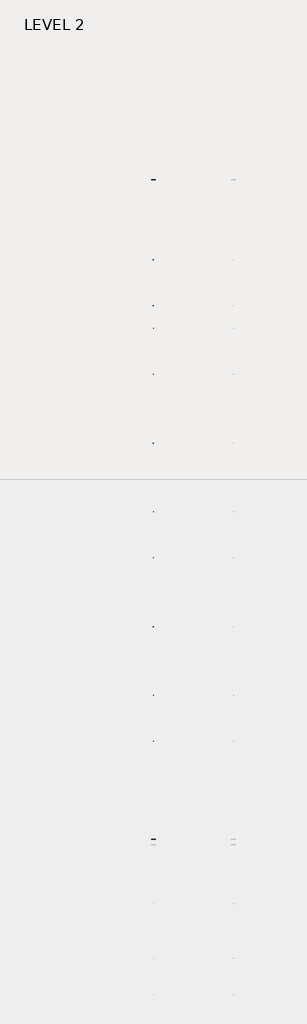
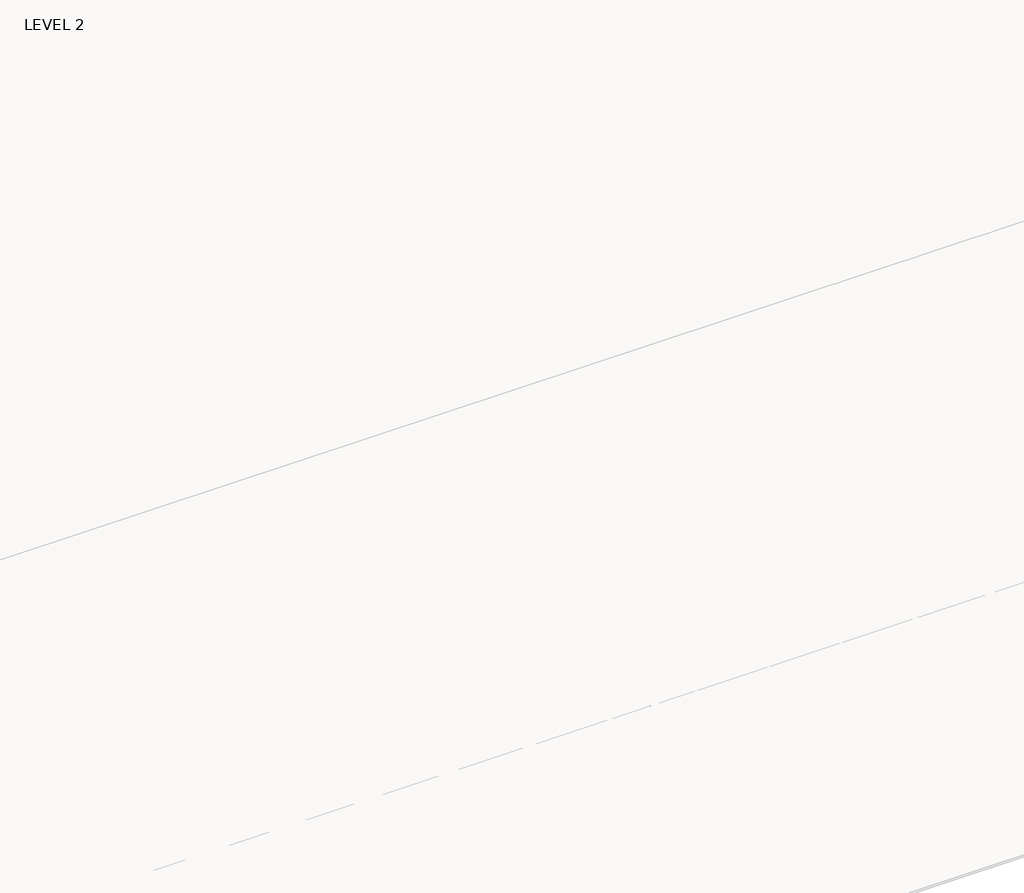
# One storey, part 44 of 67: 1 beam.
"""IFC4 building model written with IfcOpenShell, lengths in millimetres."""

from ifc_helpers import new_model, si_unit, frame, origin, place, context, project, spatial, polyline, outline, extrude, faceted_brep, element, save

model = new_model("IFC4")

# Units and contexts
model_context = context("Model", 3, world=origin())
ifc_project = project(units=[si_unit("LENGTHUNIT", "METRE", prefix="MILLI")], contexts=[model_context])

# Site, building, storey
site = spatial("IfcSite", under=ifc_project)
building = spatial("IfcBuilding", under=site)
storey = spatial("IfcBuildingStorey", under=building, Name="LEVEL 2", Elevation=6908.8)

# Beam
placement = place(None, origin())
element("IfcBeam", 1, ObjectType="K-Series Bar Joist-Angle Web : 30K7", at=placement, inside=storey, context=model_context, shape_type="SolidModel", body=[
    extrude(outline(polyline([(0.0, -9.525), (0.0, 0.0), (1596.011582, 0.0), (1596.011582, -9.525), (0.0, -9.525)])), frame((34177.8014942, 3035.5608234, 6301.5998528), z_axis=(0.0, -0.45537207995192985, 0.8903012236317849), x_axis=(0.0, -0.8903012236317849, -0.45537207995192985)), (0.0, 0.0, 1.0), 9.525),
    extrude(outline(polyline([(0.0, -9.525), (0.0, 0.0), (1596.011582, 0.0), (1596.011582, -9.525), (0.0, -9.525)])), frame((34168.2764942, -9405.2089013, 6276.405159), z_axis=(0.0, 0.45176233395621196, 0.8921383265046045), x_axis=(0.0, 0.8921383265046045, -0.45176233395621196)), (0.0, 0.0, 1.0), 9.525),
    extrude(outline(polyline([(4.7625, 4.7625), (4.7625, -4.7625), (-4.7625, -4.7625), (-4.7625, 4.7625), (4.7625, 4.7625)])), frame((34173.0389942, 1612.4610495, 5579.0607987), z_axis=(0.0, 0.5141906943646374, 0.8576758885667779), x_axis=(-1.0, 0.0, 0.0)), (0.0, 0.0, 1.0), 845.0528554),
    extrude(outline(polyline([(4.7625, 4.7625), (4.7625, -4.7625), (-4.7625, -4.7625), (-4.7625, 4.7625), (4.7625, 4.7625)])), frame((34173.0389942, -7979.1942813, 5559.6360505), z_axis=(0.0, -0.5176603441548682, 0.8555862131249332), x_axis=(-1.0, 0.0, 0.0)), (0.0, 0.0, 1.0), 845.0528554),
    extrude(outline(polyline([(0.0, 0.0), (31.75, 0.0), (31.75, -6.35), (6.35, -6.35), (6.35, -31.75), (0.0, -31.75), (0.0, 0.0)])), frame((34177.8014942, -8080.7812131, 5553.0803065), z_axis=(0.0, 0.9999979493462576, 0.0020251674695521043), x_axis=(1.0, 0.0, 0.0)), (0.0, 0.0, 1.0), 9794.875),
    extrude(outline(polyline([(-9.525, 0.0), (-9.525, -31.75), (-15.875, -31.75), (-15.875, -6.35), (-41.275, -6.35), (-41.275, 0.0), (-9.525, 0.0)])), frame((34177.8014942, -8080.7812131, 5553.0803065), z_axis=(0.0, 0.9999979493462576, 0.0020251674695521043), x_axis=(1.0, 0.0, 0.0)), (0.0, 0.0, 1.0), 9794.875),
    extrude(outline(polyline([(-31.75, 0.0), (0.0, 0.0), (0.0, -6.35), (-25.4, -6.35), (-25.4, -31.75), (-31.75, -31.75), (-31.75, 0.0)])), frame((34209.5514942, -9504.5928758, 6248.6982759), z_axis=(0.0, 0.9999979493462576, 0.0020251674695521043), x_axis=(1.0, 0.0, 0.0)), (0.0, 0.0, 1.0), 101.6),
    extrude(outline(polyline([(-41.275, 0.0), (-41.275, -31.75), (-47.625, -31.75), (-47.625, -6.35), (-73.025, -6.35), (-73.025, 0.0), (-41.275, 0.0)])), frame((34209.5514942, -9504.5928758, 6248.6982759), z_axis=(0.0, 0.9999979493462576, 0.0020251674695521043), x_axis=(1.0, 0.0, 0.0)), (0.0, 0.0, 1.0), 101.6),
    extrude(outline(polyline([(0.0, 0.0), (31.75, 0.0), (31.75, -6.35), (6.35, -6.35), (6.35, -31.75), (0.0, -31.75), (0.0, 0.0)])), frame((34168.2764942, 3033.456413, 6274.0899775), z_axis=(0.0, 0.9999979493462576, 0.0020251674695521043), x_axis=(0.0, -0.0020251674695521043, 0.9999979493462576)), (0.0, 0.0, 1.0), 101.6),
    extrude(outline(polyline([(0.0, 41.275), (6.35, 41.275), (6.35, 15.875), (31.75, 15.875), (31.75, 9.525), (0.0, 9.525), (0.0, 41.275)])), frame((34168.2764942, 3033.456413, 6274.0899775), z_axis=(0.0, 0.9999979493462576, 0.0020251674695521043), x_axis=(0.0, -0.0020251674695521043, 0.9999979493462576)), (0.0, 0.0, 1.0), 101.6),
    extrude(outline(polyline([(0.0, 0.0), (31.75, 0.0), (31.75, -6.35), (6.35, -6.35), (6.35, -31.75), (0.0, -31.75), (0.0, 0.0)])), frame((34177.8014942, -9504.7214739, 6312.1981457), z_axis=(0.0, 0.9999979493462576, 0.0020251674695521043), x_axis=(0.0, 0.0020251674695521043, -0.9999979493462576)), (0.0, 0.0, 1.0), 12639.675),
    extrude(outline(polyline([(0.0, 9.525), (0.0, 41.275), (6.35, 41.275), (6.35, 15.875), (31.75, 15.875), (31.75, 9.525), (0.0, 9.525)])), frame((34177.8014942, -9504.7214739, 6312.1981457), z_axis=(0.0, 0.9999979493462576, 0.0020251674695521043), x_axis=(0.0, 0.0020251674695521043, -0.9999979493462576)), (0.0, 0.0, 1.0), 12639.675),
    faceted_brep([(34173.0389942, 1612.4289, 5594.9357661), (34173.0389942, 1612.4674794, 5575.8858052), (34168.2764942, 1612.4674794, 5575.8858052), (34168.2764942, 1612.4289, 5594.9357661), (34173.0389942, 1611.5910583, 5594.9340693), (34173.0389942, 1186.8149607, 6330.6753354), (34173.0389942, 1168.6028414, 6330.6384527), (34173.0389942, 1168.6414208, 6311.5884918), (34173.0389942, 1175.8292494, 6311.6030483), (34173.0389942, 1600.6053471, 5575.8617823), (34168.2764942, 1600.6053471, 5575.8617823), (34168.2764942, 1580.4651011, 5610.7460665), (34168.2764942, 1584.5895575, 5613.1272983), (34168.2764942, 1189.1083632, 6298.1277874), (34168.2764942, 1184.9839067, 6295.7465555), (34168.2764942, 1175.8292494, 6311.6030483), (34168.2764942, 1168.6414208, 6311.5884918), (34168.2764942, 1168.6028414, 6330.6384527), (34168.2764942, 1186.8149607, 6330.6753354), (34168.2764942, 1611.5910583, 5594.9340693), (34155.5764942, 1184.9839067, 6295.7465555), (34155.5764942, 1580.4651011, 5610.7460665), (34155.5764942, 1584.5895575, 5613.1272983), (34155.5764942, 1189.1083632, 6298.1277874)], [[[0, 1, 2, 3]], [[1, 0, 4, 5, 6, 7, 8, 9]], [[2, 1, 9, 10]], [[3, 2, 10, 11, 12, 13, 14, 15, 16, 17, 18, 19]], [[0, 3, 19, 4]], [[9, 8, 15, 14, 20, 21, 11, 10]], [[5, 4, 19, 18]], [[7, 6, 17, 16]], [[8, 7, 16, 15]], [[6, 5, 18, 17]], [[21, 22, 12, 11]], [[20, 14, 13, 23]], [[22, 21, 20, 23]], [[12, 22, 23, 13]]]),
    extrude(outline(polyline([(740.498813, 5574.119919), (740.4602335, 5593.1698799), (741.2980751, 5593.1715767), (1163.090696, 6330.6272897), (1181.3028154, 6330.6641723), (1181.3413948, 6311.6142114), (1174.1535662, 6311.5996548), (752.3609453, 5574.1439418), (740.498813, 5574.119919)])), frame((34173.0389942, 0.0, 0.0), z_axis=(1.0, 0.0, 0.0), x_axis=(0.0, 1.0, 0.0)), (0.0, 0.0, 1.0), 4.7625),
    extrude(outline(polyline([(-4.7625, 4.7625), (-4.7625, 0.0), (-17.4625, 0.0), (-17.4625, 4.7625), (-4.7625, 4.7625)])), frame((34173.0389942, 772.3597334, 5609.1095144), z_axis=(0.0, 0.4964843899757221, 0.8680456500152716), x_axis=(-1.0, 0.0, 0.0)), (0.0, 0.0, 1.0), 790.9684223),
    faceted_brep([(34173.0389942, -7107.2577644, 5577.2769041), (34173.0389942, -7107.219185, 5558.2269432), (34168.2764942, -7107.219185, 5558.2269432), (34168.2764942, -7107.2577644, 5577.2769041), (34173.0389942, -7108.095606, 5577.2752074), (34173.0389942, -7532.8717036, 6313.0164734), (34173.0389942, -7551.083823, 6312.9795907), (34173.0389942, -7551.0452435, 6293.9296298), (34173.0389942, -7543.8574149, 6293.9441864), (34173.0389942, -7119.0813173, 5558.2029203), (34168.2764942, -7119.0813173, 5558.2029203), (34168.2764942, -7139.2215633, 5593.0872045), (34168.2764942, -7135.0971068, 5595.4684363), (34168.2764942, -7530.5783012, 6280.4689254), (34168.2764942, -7534.7027576, 6278.0876936), (34168.2764942, -7543.8574149, 6293.9441864), (34168.2764942, -7551.0452435, 6293.9296298), (34168.2764942, -7551.083823, 6312.9795907), (34168.2764942, -7532.8717036, 6313.0164734), (34168.2764942, -7108.095606, 5577.2752074), (34155.5764942, -7534.7027576, 6278.0876936), (34155.5764942, -7139.2215633, 5593.0872045), (34155.5764942, -7135.0971068, 5595.4684363), (34155.5764942, -7530.5783012, 6280.4689254)], [[[0, 1, 2, 3]], [[1, 0, 4, 5, 6, 7, 8, 9]], [[2, 1, 9, 10]], [[3, 2, 10, 11, 12, 13, 14, 15, 16, 17, 18, 19]], [[0, 3, 19, 4]], [[9, 8, 15, 14, 20, 21, 11, 10]], [[5, 4, 19, 18]], [[7, 6, 17, 16]], [[8, 7, 16, 15]], [[6, 5, 18, 17]], [[21, 22, 12, 11]], [[20, 14, 13, 23]], [[22, 21, 20, 23]], [[12, 22, 23, 13]]]),
    extrude(outline(polyline([(-7979.1878514, 5556.461057), (-7979.2264308, 5575.5110179), (-7978.3885892, 5575.5127147), (-7556.5959683, 6312.9684277), (-7538.383849, 6313.0053103), (-7538.3452696, 6293.9553494), (-7545.5330982, 6293.9407928), (-7967.3257191, 5556.4850798), (-7979.1878514, 5556.461057)])), frame((34173.0389942, 0.0, 0.0), z_axis=(1.0, 0.0, 0.0), x_axis=(0.0, 1.0, 0.0)), (0.0, 0.0, 1.0), 4.7625),
    extrude(outline(polyline([(-4.7625, 4.7625), (-4.7625, 0.0), (-17.4625, 0.0), (-17.4625, 4.7625), (-4.7625, 4.7625)])), frame((34173.0389942, -7947.326931, 5591.4506524), z_axis=(0.0, 0.4964843899757221, 0.8680456500152716), x_axis=(-1.0, 0.0, 0.0)), (0.0, 0.0, 1.0), 790.9684223),
    faceted_brep([(34173.0389942, 740.4602335, 5593.1698799), (34173.0389942, 740.498813, 5574.119919), (34168.2764942, 740.498813, 5574.119919), (34168.2764942, 740.4602335, 5593.1698799), (34173.0389942, 739.6223919, 5593.1681831), (34173.0389942, 314.8462943, 6328.9094492), (34173.0389942, 296.634175, 6328.8725665), (34173.0389942, 296.6727544, 6309.8226056), (34173.0389942, 303.860583, 6309.8371621), (34173.0389942, 728.6366806, 5574.0958961), (34168.2764942, 728.6366806, 5574.0958961), (34168.2764942, 708.4964346, 5608.9801803), (34168.2764942, 712.6208911, 5611.3614121), (34168.2764942, 317.1396968, 6296.3619012), (34168.2764942, 313.0152403, 6293.9806693), (34168.2764942, 303.860583, 6309.8371621), (34168.2764942, 296.6727544, 6309.8226056), (34168.2764942, 296.634175, 6328.8725665), (34168.2764942, 314.8462943, 6328.9094492), (34168.2764942, 739.6223919, 5593.1681831), (34155.5764942, 313.0152403, 6293.9806693), (34155.5764942, 708.4964346, 5608.9801803), (34155.5764942, 712.6208911, 5611.3614121), (34155.5764942, 317.1396968, 6296.3619012)], [[[0, 1, 2, 3]], [[1, 0, 4, 5, 6, 7, 8, 9]], [[2, 1, 9, 10]], [[3, 2, 10, 11, 12, 13, 14, 15, 16, 17, 18, 19]], [[0, 3, 19, 4]], [[9, 8, 15, 14, 20, 21, 11, 10]], [[5, 4, 19, 18]], [[7, 6, 17, 16]], [[8, 7, 16, 15]], [[6, 5, 18, 17]], [[21, 22, 12, 11]], [[20, 14, 13, 23]], [[22, 21, 20, 23]], [[12, 22, 23, 13]]]),
    extrude(outline(polyline([(-131.4698535, 5572.3540328), (-131.5084329, 5591.4039937), (-130.6705913, 5591.4056905), (291.1220296, 6328.8614035), (309.3341489, 6328.8982861), (309.3727284, 6309.8483252), (302.1848998, 6309.8337686), (-119.6077211, 5572.3780556), (-131.4698535, 5572.3540328)])), frame((34173.0389942, 0.0, 0.0), z_axis=(1.0, 0.0, 0.0), x_axis=(0.0, 1.0, 0.0)), (0.0, 0.0, 1.0), 4.7625),
    extrude(outline(polyline([(-4.7625, 4.7625), (-4.7625, 0.0), (-17.4625, 0.0), (-17.4625, 4.7625), (-4.7625, 4.7625)])), frame((34173.0389942, -99.6089331, 5607.3436282), z_axis=(0.0, 0.4964843899757221, 0.8680456500152716), x_axis=(-1.0, 0.0, 0.0)), (0.0, 0.0, 1.0), 790.9684223),
    faceted_brep([(34173.0389942, -131.5084329, 5591.4039937), (34173.0389942, -131.4698535, 5572.3540328), (34168.2764942, -131.4698535, 5572.3540328), (34168.2764942, -131.5084329, 5591.4039937), (34173.0389942, -132.3462745, 5591.4022969), (34173.0389942, -557.1223722, 6327.143563), (34173.0389942, -575.3344915, 6327.1066803), (34173.0389942, -575.295912, 6308.0567194), (34173.0389942, -568.1080834, 6308.0712759), (34173.0389942, -143.3319858, 5572.3300099), (34168.2764942, -143.3319858, 5572.3300099), (34168.2764942, -163.4722318, 5607.2142941), (34168.2764942, -159.3477753, 5609.5955259), (34168.2764942, -554.8289697, 6294.596015), (34168.2764942, -558.9534262, 6292.2147831), (34168.2764942, -568.1080834, 6308.0712759), (34168.2764942, -575.295912, 6308.0567194), (34168.2764942, -575.3344915, 6327.1066803), (34168.2764942, -557.1223722, 6327.143563), (34168.2764942, -132.3462745, 5591.4022969), (34155.5764942, -558.9534262, 6292.2147831), (34155.5764942, -163.4722318, 5607.2142941), (34155.5764942, -159.3477753, 5609.5955259), (34155.5764942, -554.8289697, 6294.596015)], [[[0, 1, 2, 3]], [[1, 0, 4, 5, 6, 7, 8, 9]], [[2, 1, 9, 10]], [[3, 2, 10, 11, 12, 13, 14, 15, 16, 17, 18, 19]], [[0, 3, 19, 4]], [[9, 8, 15, 14, 20, 21, 11, 10]], [[5, 4, 19, 18]], [[7, 6, 17, 16]], [[8, 7, 16, 15]], [[6, 5, 18, 17]], [[21, 22, 12, 11]], [[20, 14, 13, 23]], [[22, 21, 20, 23]], [[12, 22, 23, 13]]]),
    extrude(outline(polyline([(-1003.4385199, 5570.5881466), (-1003.4770993, 5589.6381075), (-1002.6392577, 5589.6398043), (-580.8466368, 6327.0955173), (-562.6345175, 6327.1323999), (-562.5959381, 6308.082439), (-569.7837667, 6308.0678824), (-991.5763876, 5570.6121694), (-1003.4385199, 5570.5881466)])), frame((34173.0389942, 0.0, 0.0), z_axis=(1.0, 0.0, 0.0), x_axis=(0.0, 1.0, 0.0)), (0.0, 0.0, 1.0), 4.7625),
    extrude(outline(polyline([(-4.7625, 4.7625), (-4.7625, 0.0), (-17.4625, 0.0), (-17.4625, 4.7625), (-4.7625, 4.7625)])), frame((34173.0389942, -971.5775995, 5605.577742), z_axis=(0.0, 0.4964843899757221, 0.8680456500152716), x_axis=(-1.0, 0.0, 0.0)), (0.0, 0.0, 1.0), 790.9684223),
    faceted_brep([(34173.0389942, -1003.4770993, 5589.6381075), (34173.0389942, -1003.4385199, 5570.5881466), (34168.2764942, -1003.4385199, 5570.5881466), (34168.2764942, -1003.4770993, 5589.6381075), (34173.0389942, -1004.314941, 5589.6364107), (34173.0389942, -1429.0910386, 6325.3776768), (34173.0389942, -1447.3031579, 6325.3407941), (34173.0389942, -1447.2645785, 6306.2908332), (34173.0389942, -1440.0767499, 6306.3053897), (34173.0389942, -1015.3006522, 5570.5641237), (34168.2764942, -1015.3006522, 5570.5641237), (34168.2764942, -1035.4408983, 5605.4484079), (34168.2764942, -1031.3164418, 5607.8296397), (34168.2764942, -1426.7976361, 6292.8301288), (34168.2764942, -1430.9220926, 6290.4488969), (34168.2764942, -1440.0767499, 6306.3053897), (34168.2764942, -1447.2645785, 6306.2908332), (34168.2764942, -1447.3031579, 6325.3407941), (34168.2764942, -1429.0910386, 6325.3776768), (34168.2764942, -1004.314941, 5589.6364107), (34155.5764942, -1430.9220926, 6290.4488969), (34155.5764942, -1035.4408983, 5605.4484079), (34155.5764942, -1031.3164418, 5607.8296397), (34155.5764942, -1426.7976361, 6292.8301288)], [[[0, 1, 2, 3]], [[1, 0, 4, 5, 6, 7, 8, 9]], [[2, 1, 9, 10]], [[3, 2, 10, 11, 12, 13, 14, 15, 16, 17, 18, 19]], [[0, 3, 19, 4]], [[9, 8, 15, 14, 20, 21, 11, 10]], [[5, 4, 19, 18]], [[7, 6, 17, 16]], [[8, 7, 16, 15]], [[6, 5, 18, 17]], [[21, 22, 12, 11]], [[20, 14, 13, 23]], [[22, 21, 20, 23]], [[12, 22, 23, 13]]]),
    extrude(outline(polyline([(-1875.4071863, 5568.8222604), (-1875.4457658, 5587.8722213), (-1874.6079242, 5587.8739181), (-1452.8153033, 6325.3296311), (-1434.6031839, 6325.3665137), (-1434.5646045, 6306.3165528), (-1441.7524331, 6306.3019962), (-1863.545054, 5568.8462832), (-1875.4071863, 5568.8222604)])), frame((34173.0389942, 0.0, 0.0), z_axis=(1.0, 0.0, 0.0), x_axis=(0.0, 1.0, 0.0)), (0.0, 0.0, 1.0), 4.7625),
    extrude(outline(polyline([(-4.7625, 4.7625001), (-4.7625, 0.0), (-17.4625, 0.0), (-17.4625, 4.7625001), (-4.7625, 4.7625001)])), frame((34173.0389942, -1843.5462659, 5603.8118558), z_axis=(0.0, 0.4964843899757221, 0.8680456500152716), x_axis=(-1.0, 0.0, 0.0)), (0.0, 0.0, 1.0), 790.9684223),
    faceted_brep([(34173.0389942, -1875.4457658, 5587.8722213), (34173.0389942, -1875.4071863, 5568.8222604), (34168.2764942, -1875.4071863, 5568.8222604), (34168.2764942, -1875.4457658, 5587.8722213), (34173.0389942, -1876.2836074, 5587.8705245), (34173.0389942, -2301.059705, 6323.6117906), (34173.0389942, -2319.2718243, 6323.5749079), (34173.0389942, -2319.2332449, 6304.524947), (34173.0389942, -2312.0454163, 6304.5395035), (34173.0389942, -1887.2693187, 5568.7982375), (34168.2764942, -1887.2693187, 5568.7982375), (34168.2764942, -1907.4095647, 5603.6825217), (34168.2764942, -1903.2851082, 5606.0637535), (34168.2764942, -2298.7663026, 6291.0642426), (34168.2764942, -2302.890759, 6288.6830107), (34168.2764942, -2312.0454163, 6304.5395035), (34168.2764942, -2319.2332449, 6304.524947), (34168.2764942, -2319.2718243, 6323.5749079), (34168.2764942, -2301.059705, 6323.6117906), (34168.2764942, -1876.2836074, 5587.8705245), (34155.5764942, -2302.890759, 6288.6830107), (34155.5764942, -1907.4095647, 5603.6825217), (34155.5764942, -1903.2851082, 5606.0637535), (34155.5764942, -2298.7663026, 6291.0642426)], [[[0, 1, 2, 3]], [[1, 0, 4, 5, 6, 7, 8, 9]], [[2, 1, 9, 10]], [[3, 2, 10, 11, 12, 13, 14, 15, 16, 17, 18, 19]], [[0, 3, 19, 4]], [[9, 8, 15, 14, 20, 21, 11, 10]], [[5, 4, 19, 18]], [[7, 6, 17, 16]], [[8, 7, 16, 15]], [[6, 5, 18, 17]], [[21, 22, 12, 11]], [[20, 14, 13, 23]], [[22, 21, 20, 23]], [[12, 22, 23, 13]]]),
    extrude(outline(polyline([(-2747.3758528, 5567.0563742), (-2747.4144322, 5586.1063351), (-2746.5765906, 5586.1080319), (-2324.7839697, 6323.5637449), (-2306.5718504, 6323.6006275), (-2306.5332709, 6304.5506666), (-2313.7210995, 6304.53611), (-2735.5137204, 5567.080397), (-2747.3758528, 5567.0563742)])), frame((34173.0389942, 0.0, 0.0), z_axis=(1.0, 0.0, 0.0), x_axis=(0.0, 1.0, 0.0)), (0.0, 0.0, 1.0), 4.7625),
    extrude(outline(polyline([(-4.7625, 4.7625), (-4.7625, 0.0), (-17.4625, 0.0), (-17.4625, 4.7625), (-4.7625, 4.7625)])), frame((34173.0389942, -2715.5149324, 5602.0459696), z_axis=(0.0, 0.4964843899757221, 0.8680456500152716), x_axis=(-1.0, 0.0, 0.0)), (0.0, 0.0, 1.0), 790.9684223),
    faceted_brep([(34173.0389942, -2747.4144322, 5586.1063351), (34173.0389942, -2747.3758528, 5567.0563742), (34168.2764942, -2747.3758528, 5567.0563742), (34168.2764942, -2747.4144322, 5586.1063351), (34173.0389942, -2748.2522738, 5586.1046383), (34173.0389942, -3173.0283715, 6321.8459044), (34173.0389942, -3191.2404908, 6321.8090217), (34173.0389942, -3191.2019113, 6302.7590608), (34173.0389942, -3184.0140827, 6302.7736173), (34173.0389942, -2759.2379851, 5567.0323513), (34168.2764942, -2759.2379851, 5567.0323513), (34168.2764942, -2779.3782311, 5601.9166355), (34168.2764942, -2775.2537747, 5604.2978673), (34168.2764942, -3170.734969, 6289.2983564), (34168.2764942, -3174.8594255, 6286.9171245), (34168.2764942, -3184.0140827, 6302.7736173), (34168.2764942, -3191.2019113, 6302.7590608), (34168.2764942, -3191.2404908, 6321.8090217), (34168.2764942, -3173.0283715, 6321.8459044), (34168.2764942, -2748.2522738, 5586.1046383), (34155.5764942, -3174.8594255, 6286.9171245), (34155.5764942, -2779.3782311, 5601.9166355), (34155.5764942, -2775.2537747, 5604.2978673), (34155.5764942, -3170.734969, 6289.2983564)], [[[0, 1, 2, 3]], [[1, 0, 4, 5, 6, 7, 8, 9]], [[2, 1, 9, 10]], [[3, 2, 10, 11, 12, 13, 14, 15, 16, 17, 18, 19]], [[0, 3, 19, 4]], [[9, 8, 15, 14, 20, 21, 11, 10]], [[5, 4, 19, 18]], [[7, 6, 17, 16]], [[8, 7, 16, 15]], [[6, 5, 18, 17]], [[21, 22, 12, 11]], [[20, 14, 13, 23]], [[22, 21, 20, 23]], [[12, 22, 23, 13]]]),
    extrude(outline(polyline([(-3619.3445192, 5565.290488), (-3619.3830987, 5584.3404489), (-3618.545257, 5584.3421457), (-3196.7526361, 6321.7978587), (-3178.5405168, 6321.8347413), (-3178.5019374, 6302.7847804), (-3185.689766, 6302.7702238), (-3607.4823869, 5565.3145108), (-3619.3445192, 5565.290488)])), frame((34173.0389942, 0.0, 0.0), z_axis=(1.0, 0.0, 0.0), x_axis=(0.0, 1.0, 0.0)), (0.0, 0.0, 1.0), 4.7625),
    extrude(outline(polyline([(-4.7625, 4.7625), (-4.7625, 0.0), (-17.4625, 0.0), (-17.4625, 4.7625), (-4.7625, 4.7625)])), frame((34173.0389942, -3587.4835988, 5600.2800834), z_axis=(0.0, 0.4964843899757221, 0.8680456500152716), x_axis=(-1.0, 0.0, 0.0)), (0.0, 0.0, 1.0), 790.9684223),
    faceted_brep([(34173.0389942, -3619.3830987, 5584.3404489), (34173.0389942, -3619.3445192, 5565.290488), (34168.2764942, -3619.3445192, 5565.290488), (34168.2764942, -3619.3830987, 5584.3404489), (34173.0389942, -3620.2209403, 5584.3387521), (34173.0389942, -4044.9970379, 6320.0800182), (34173.0389942, -4063.2091572, 6320.0431355), (34173.0389942, -4063.1705778, 6300.9931746), (34173.0389942, -4055.9827492, 6301.0077311), (34173.0389942, -3631.2066516, 5565.2664651), (34168.2764942, -3631.2066516, 5565.2664651), (34168.2764942, -3651.3468976, 5600.1507493), (34168.2764942, -3647.2224411, 5602.5319811), (34168.2764942, -4042.7036354, 6287.5324702), (34168.2764942, -4046.8280919, 6285.1512383), (34168.2764942, -4055.9827492, 6301.0077311), (34168.2764942, -4063.1705778, 6300.9931746), (34168.2764942, -4063.2091572, 6320.0431355), (34168.2764942, -4044.9970379, 6320.0800182), (34168.2764942, -3620.2209403, 5584.3387521), (34155.5764942, -4046.8280919, 6285.1512383), (34155.5764942, -3651.3468976, 5600.1507493), (34155.5764942, -3647.2224411, 5602.5319811), (34155.5764942, -4042.7036354, 6287.5324702)], [[[0, 1, 2, 3]], [[1, 0, 4, 5, 6, 7, 8, 9]], [[2, 1, 9, 10]], [[3, 2, 10, 11, 12, 13, 14, 15, 16, 17, 18, 19]], [[0, 3, 19, 4]], [[9, 8, 15, 14, 20, 21, 11, 10]], [[5, 4, 19, 18]], [[7, 6, 17, 16]], [[8, 7, 16, 15]], [[6, 5, 18, 17]], [[21, 22, 12, 11]], [[20, 14, 13, 23]], [[22, 21, 20, 23]], [[12, 22, 23, 13]]]),
    extrude(outline(polyline([(-4491.3131857, 5563.5246018), (-4491.3517651, 5582.5745627), (-4490.5139235, 5582.5762595), (-4068.7213026, 6320.0319725), (-4050.5091833, 6320.0688551), (-4050.4706038, 6301.0188942), (-4057.6584324, 6301.0043376), (-4479.4510533, 5563.5486246), (-4491.3131857, 5563.5246018)])), frame((34173.0389942, 0.0, 0.0), z_axis=(1.0, 0.0, 0.0), x_axis=(0.0, 1.0, 0.0)), (0.0, 0.0, 1.0), 4.7625),
    extrude(outline(polyline([(-4.7625, 4.7625), (-4.7625, 0.0), (-17.4625, 0.0), (-17.4625, 4.7625), (-4.7625, 4.7625)])), frame((34173.0389942, -4459.4522653, 5598.5141972), z_axis=(0.0, 0.4964843899757221, 0.8680456500152716), x_axis=(-1.0, 0.0, 0.0)), (0.0, 0.0, 1.0), 790.9684223),
    faceted_brep([(34173.0389942, -4491.3517651, 5582.5745627), (34173.0389942, -4491.3131857, 5563.5246018), (34168.2764942, -4491.3131857, 5563.5246018), (34168.2764942, -4491.3517651, 5582.5745627), (34173.0389942, -4492.1896067, 5582.572866), (34173.0389942, -4916.9657043, 6318.314132), (34173.0389942, -4935.1778236, 6318.2772493), (34173.0389942, -4935.1392442, 6299.2272884), (34173.0389942, -4927.9514156, 6299.241845), (34173.0389942, -4503.175318, 5563.5005789), (34168.2764942, -4503.175318, 5563.5005789), (34168.2764942, -4523.315564, 5598.3848631), (34168.2764942, -4519.1911075, 5600.7660949), (34168.2764942, -4914.6723019, 6285.766584), (34168.2764942, -4918.7967583, 6283.3853521), (34168.2764942, -4927.9514156, 6299.241845), (34168.2764942, -4935.1392442, 6299.2272884), (34168.2764942, -4935.1778236, 6318.2772493), (34168.2764942, -4916.9657043, 6318.314132), (34168.2764942, -4492.1896067, 5582.572866), (34155.5764942, -4918.7967583, 6283.3853521), (34155.5764942, -4523.315564, 5598.3848631), (34155.5764942, -4519.1911075, 5600.7660949), (34155.5764942, -4914.6723019, 6285.766584)], [[[0, 1, 2, 3]], [[1, 0, 4, 5, 6, 7, 8, 9]], [[2, 1, 9, 10]], [[3, 2, 10, 11, 12, 13, 14, 15, 16, 17, 18, 19]], [[0, 3, 19, 4]], [[9, 8, 15, 14, 20, 21, 11, 10]], [[5, 4, 19, 18]], [[7, 6, 17, 16]], [[8, 7, 16, 15]], [[6, 5, 18, 17]], [[21, 22, 12, 11]], [[20, 14, 13, 23]], [[22, 21, 20, 23]], [[12, 22, 23, 13]]]),
    extrude(outline(polyline([(-5363.2818521, 5561.7587156), (-5363.3204315, 5580.8086765), (-5362.4825899, 5580.8103733), (-4940.689969, 6318.2660863), (-4922.4778497, 6318.3029689), (-4922.4392703, 6299.253008), (-4929.6270988, 6299.2384514), (-5351.4197198, 5561.7827384), (-5363.2818521, 5561.7587156)])), frame((34173.0389942, 0.0, 0.0), z_axis=(1.0, 0.0, 0.0), x_axis=(0.0, 1.0, 0.0)), (0.0, 0.0, 1.0), 4.7625),
    extrude(outline(polyline([(-4.7625, 4.7625), (-4.7625, 0.0), (-17.4625, 0.0), (-17.4625, 4.7625), (-4.7625, 4.7625)])), frame((34173.0389942, -5331.4209317, 5596.748311), z_axis=(0.0, 0.4964843899757221, 0.8680456500152716), x_axis=(-1.0, 0.0, 0.0)), (0.0, 0.0, 1.0), 790.9684223),
    faceted_brep([(34173.0389942, -5363.3204315, 5580.8086765), (34173.0389942, -5363.2818521, 5561.7587156), (34168.2764942, -5363.2818521, 5561.7587156), (34168.2764942, -5363.3204315, 5580.8086765), (34173.0389942, -5364.1582731, 5580.8069798), (34173.0389942, -5788.9343708, 6316.5482458), (34173.0389942, -5807.1464901, 6316.5113631), (34173.0389942, -5807.1079106, 6297.4614022), (34173.0389942, -5799.920082, 6297.4759588), (34173.0389942, -5375.1439844, 5561.7346927), (34168.2764942, -5375.1439844, 5561.7346927), (34168.2764942, -5395.2842304, 5596.6189769), (34168.2764942, -5391.159774, 5599.0002087), (34168.2764942, -5786.6409683, 6284.0006978), (34168.2764942, -5790.7654248, 6281.6194659), (34168.2764942, -5799.920082, 6297.4759588), (34168.2764942, -5807.1079106, 6297.4614022), (34168.2764942, -5807.1464901, 6316.5113631), (34168.2764942, -5788.9343708, 6316.5482458), (34168.2764942, -5364.1582731, 5580.8069798), (34155.5764942, -5790.7654248, 6281.6194659), (34155.5764942, -5395.2842304, 5596.6189769), (34155.5764942, -5391.159774, 5599.0002087), (34155.5764942, -5786.6409683, 6284.0006978)], [[[0, 1, 2, 3]], [[1, 0, 4, 5, 6, 7, 8, 9]], [[2, 1, 9, 10]], [[3, 2, 10, 11, 12, 13, 14, 15, 16, 17, 18, 19]], [[0, 3, 19, 4]], [[9, 8, 15, 14, 20, 21, 11, 10]], [[5, 4, 19, 18]], [[7, 6, 17, 16]], [[8, 7, 16, 15]], [[6, 5, 18, 17]], [[21, 22, 12, 11]], [[20, 14, 13, 23]], [[22, 21, 20, 23]], [[12, 22, 23, 13]]]),
    extrude(outline(polyline([(-6235.2505185, 5559.9928294), (-6235.289098, 5579.0427903), (-6234.4512563, 5579.0444871), (-5812.6586354, 6316.5002001), (-5794.4465161, 6316.5370827), (-5794.4079367, 6297.4871218), (-5801.5957653, 6297.4725652), (-6223.3883862, 5560.0168522), (-6235.2505185, 5559.9928294)])), frame((34173.0389942, 0.0, 0.0), z_axis=(1.0, 0.0, 0.0), x_axis=(0.0, 1.0, 0.0)), (0.0, 0.0, 1.0), 4.7625),
    extrude(outline(polyline([(-4.7625, 4.7625), (-4.7625, 0.0), (-17.4625, 0.0), (-17.4625, 4.7625), (-4.7625, 4.7625)])), frame((34173.0389942, -6203.3895981, 5594.9824248), z_axis=(0.0, 0.4964843899757221, 0.8680456500152716), x_axis=(-1.0, 0.0, 0.0)), (0.0, 0.0, 1.0), 790.9684223),
    faceted_brep([(34173.0389942, -6235.289098, 5579.0427903), (34173.0389942, -6235.2505185, 5559.9928294), (34168.2764942, -6235.2505185, 5559.9928294), (34168.2764942, -6235.289098, 5579.0427903), (34173.0389942, -6236.1269396, 5579.0410936), (34173.0389942, -6660.9030372, 6314.7823596), (34173.0389942, -6679.1151565, 6314.7454769), (34173.0389942, -6679.0765771, 6295.695516), (34173.0389942, -6671.8887485, 6295.7100726), (34173.0389942, -6247.1126509, 5559.9688065), (34168.2764942, -6247.1126509, 5559.9688065), (34168.2764942, -6267.2528969, 5594.8530907), (34168.2764942, -6263.1284404, 5597.2343225), (34168.2764942, -6658.6096347, 6282.2348116), (34168.2764942, -6662.7340912, 6279.8535798), (34168.2764942, -6671.8887485, 6295.7100726), (34168.2764942, -6679.0765771, 6295.695516), (34168.2764942, -6679.1151565, 6314.7454769), (34168.2764942, -6660.9030372, 6314.7823596), (34168.2764942, -6236.1269396, 5579.0410936), (34155.5764942, -6662.7340912, 6279.8535798), (34155.5764942, -6267.2528969, 5594.8530907), (34155.5764942, -6263.1284404, 5597.2343225), (34155.5764942, -6658.6096347, 6282.2348116)], [[[0, 1, 2, 3]], [[1, 0, 4, 5, 6, 7, 8, 9]], [[2, 1, 9, 10]], [[3, 2, 10, 11, 12, 13, 14, 15, 16, 17, 18, 19]], [[0, 3, 19, 4]], [[9, 8, 15, 14, 20, 21, 11, 10]], [[5, 4, 19, 18]], [[7, 6, 17, 16]], [[8, 7, 16, 15]], [[6, 5, 18, 17]], [[21, 22, 12, 11]], [[20, 14, 13, 23]], [[22, 21, 20, 23]], [[12, 22, 23, 13]]]),
    extrude(outline(polyline([(-7107.219185, 5558.2269432), (-7107.2577644, 5577.2769041), (-7106.4199228, 5577.2786009), (-6684.6273019, 6314.7343139), (-6666.4151826, 6314.7711965), (-6666.3766031, 6295.7212356), (-6673.5644317, 6295.706679), (-7095.3570526, 5558.250966), (-7107.219185, 5558.2269432)])), frame((34173.0389942, 0.0, 0.0), z_axis=(1.0, 0.0, 0.0), x_axis=(0.0, 1.0, 0.0)), (0.0, 0.0, 1.0), 4.7625),
    extrude(outline(polyline([(-4.7625, 4.7625), (-4.7625, 0.0), (-17.4625, 0.0), (-17.4625, 4.7625), (-4.7625, 4.7625)])), frame((34173.0389942, -7075.3582646, 5593.2165386), z_axis=(0.0, 0.4964843899757221, 0.8680456500152716), x_axis=(-1.0, 0.0, 0.0)), (0.0, 0.0, 1.0), 790.9684223),
])

save(model, "model.ifc")
